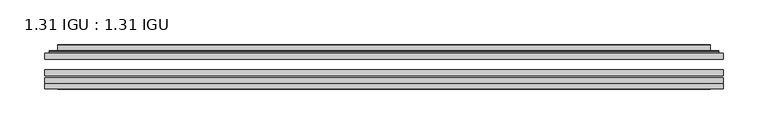
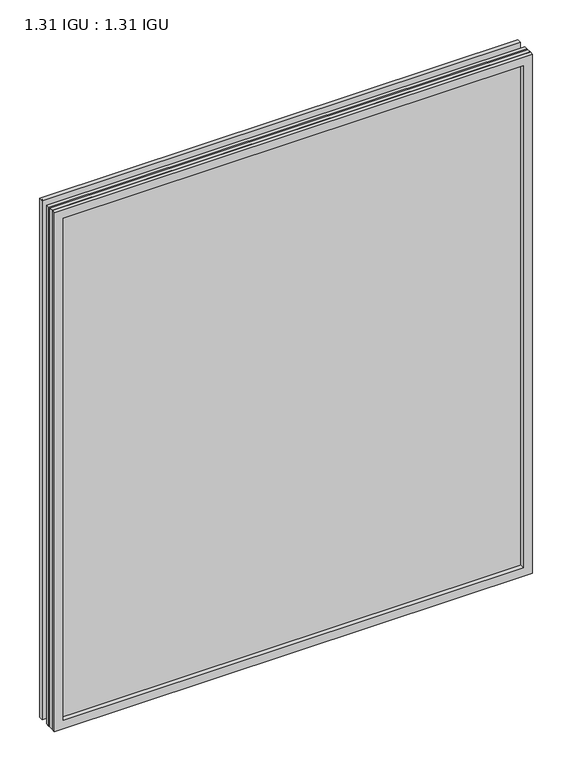
"""IFC4 building model written with IfcOpenShell, lengths in millimetres: plate geometry, 1.31 IGU : 1.31 IGU."""

from ifc_helpers import new_model, si_unit, frame, origin, place, context, project, spatial, polyline, ellipse_curve, outline, extrude, faceted_brep, source, transform, mapped, element, save
from ifc_brep_helpers import plane_surface, cylinder_surface, advanced_brep


def plate_1_31_igu_1_31_igu_43ffdb58(model_context):
    return source(origin(), model_context, "Body", "SolidModel", [
        extrude(outline(polyline([(379.4108, -63.59525), (379.4108, -69.94525), (-379.396625, -69.94525), (-379.396625, -63.59525), (379.4108, -63.59525)])), frame((0.0, 0.0, -14.2875), z_axis=(0.0, 0.0, 1.0), x_axis=(1.0, 0.0, 0.0)), (0.0, 0.0, 1.0), 869.9537979),
        extrude(outline(polyline([(-379.396625, -78.58125), (-379.396625, -72.230745), (379.4108, -72.230745), (379.4108, -78.58125), (-379.396625, -78.58125)])), frame((0.0, 0.0, -14.2875), z_axis=(0.0, 0.0, 1.0), x_axis=(1.0, 0.0, 0.0)), (0.0, 0.0, 1.0), 869.9537979),
        extrude(outline(polyline([(379.4108, -45.25645), (379.4108, -51.60645), (-379.396625, -51.60645), (-379.396625, -45.25645), (379.4108, -45.25645)])), frame((0.0, 0.0, -14.2875), z_axis=(0.0, 0.0, 1.0), x_axis=(1.0, 0.0, 0.0)), (0.0, 0.0, 1.0), 869.9537979),
        faceted_brep([(-379.409325, -84.93125, 855.6752), (-379.409325, -78.58125, 855.6752), (-379.409325, -78.58125, -14.3002), (-379.409325, -84.93125, -14.3002), (379.409325, -78.58125, -14.3002), (379.409325, -84.93125, -14.3002), (379.409325, -78.58125, 855.6752), (379.409325, -84.93125, 855.6752), (-364.2113809, -78.58125, 0.8977441), (364.2113809, -78.58125, 0.8977441), (364.2113809, -78.58125, 840.4772559), (-364.2113809, -78.58125, 840.4772559), (-365.1038152, -84.93125, 841.3696902), (365.1038152, -84.93125, 841.3696902), (365.1038152, -84.93125, 0.0053098), (-365.1038152, -84.93125, 0.0053098)], [[[0, 1, 2, 3]], [[3, 2, 4, 5]], [[5, 4, 6, 7]], [[1, 6, 4, 2], [8, 9, 10, 11]], [[7, 6, 1, 0]], [[3, 5, 7, 0], [12, 13, 14, 15]], [[11, 12, 15, 8]], [[8, 15, 14, 9]], [[9, 14, 13, 10]], [[10, 13, 12, 11]]]),
        advanced_brep(
        [(-372.155344, -45.25645, 848.4212191), (-374.5095494, -43.2667833, 850.7754244), (-374.5095494, -43.2667833, -9.4004244), (-372.155344, -45.25645, -7.046219), (-363.0810189, -41.416413, 839.3468939), (-358.1461871, -45.25645, 834.4120621), (-358.1461871, -45.25645, 6.9629379), (-363.0810189, -41.416413, 2.0281061), (-364.1130467, -36.0191819, 840.3789217), (-364.1130467, -36.0191819, 0.9960783), (-365.1037034, -35.6202069, 841.3695784), (-365.1037034, -35.6202069, 0.0054216), (-365.1037034, -42.08145, 841.3695784), (-365.1037034, -42.08145, 0.0054216), (-373.5077599, -42.08145, 849.7736349), (-373.5077599, -42.08145, -8.3986349), (374.5095494, -43.2667833, -9.4004244), (372.155344, -45.25645, -7.046219), (358.1461871, -45.25645, 6.9629379), (363.0810189, -41.416413, 2.0281061), (364.1130467, -36.0191819, 0.9960783), (365.1037034, -35.6202069, 0.0054216), (365.1037034, -42.08145, 0.0054216), (373.5077599, -42.08145, -8.3986349), (374.5095494, -43.2667833, 850.7754244), (372.155344, -45.25645, 848.4212191), (358.1461871, -45.25645, 834.4120621), (363.0810189, -41.416413, 839.3468939), (364.1130467, -36.0191819, 840.3789217), (365.1037034, -35.6202069, 841.3695784), (365.1037034, -42.08145, 841.3695784), (373.5077599, -42.08145, 849.7736349)],
        [
            (0, 1, ellipse_curve(frame((-372.155344, -42.86885, 848.4212191), z_axis=(-0.7071067811865475, 0.0, -0.7071067811865475), x_axis=(-0.7071067811865474, 0.0, 0.7071067811865476)), 3.3765763, 2.3876)),
            (1, 2),
            (2, 3, ellipse_curve(frame((-372.155344, -42.86885, -7.046219), z_axis=(-0.7071067811865475, 0.0, 0.7071067811865475), x_axis=(0.7071067811865474, 0.0, 0.7071067811865476)), 3.3765763, 2.3876)),
            (3, 0),
            (4, 5),
            (5, 6),
            (6, 7),
            (7, 4),
            (8, 4),
            (7, 9),
            (9, 8),
            (10, 8, ellipse_curve(frame((-364.7367469, -36.1384423, 841.0026219), z_axis=(-0.7071067811865475, 0.0, -0.7071067811865475), x_axis=(-0.7071067811865474, 0.0, 0.7071067811865476)), 0.8980256, 0.635)),
            (9, 11, ellipse_curve(frame((-364.7367469, -36.1384423, 0.3723781), z_axis=(-0.7071067811865475, 0.0, 0.7071067811865475), x_axis=(0.7071067811865474, 0.0, 0.7071067811865476)), 0.8980256, 0.635)),
            (11, 10),
            (12, 10),
            (11, 13),
            (13, 12),
            (1, 14, ellipse_curve(frame((-373.5077599, -43.09745, 849.7736349), z_axis=(-0.7071067811865475, 0.0, -0.7071067811865475), x_axis=(-0.7071067811865474, 0.0, 0.7071067811865476)), 1.436841, 1.016)),
            (14, 15),
            (15, 2, ellipse_curve(frame((-373.5077599, -43.09745, -8.3986349), z_axis=(-0.7071067811865475, 0.0, 0.7071067811865475), x_axis=(0.7071067811865474, 0.0, 0.7071067811865476)), 1.436841, 1.016)),
            (2, 16),
            (16, 17, ellipse_curve(frame((372.155344, -42.86885, -7.046219), z_axis=(-0.7071067811865475, 0.0, -0.7071067811865475), x_axis=(-0.7071067811865476, 0.0, 0.7071067811865474)), 3.3765763, 2.3876)),
            (17, 3),
            (6, 18),
            (18, 19),
            (19, 7),
            (19, 20),
            (20, 9),
            (20, 21, ellipse_curve(frame((364.7367469, -36.1384423, 0.3723781), z_axis=(-0.7071067811865475, 0.0, -0.7071067811865475), x_axis=(-0.7071067811865476, 0.0, 0.7071067811865474)), 0.8980256, 0.635)),
            (21, 11),
            (21, 22),
            (22, 13),
            (15, 23),
            (23, 16, ellipse_curve(frame((373.5077599, -43.09745, -8.3986349), z_axis=(-0.7071067811865475, 0.0, -0.7071067811865475), x_axis=(-0.7071067811865476, 0.0, 0.7071067811865474)), 1.436841, 1.016)),
            (16, 24),
            (24, 25, ellipse_curve(frame((372.155344, -42.86885, 848.4212191), z_axis=(0.7071067811865475, 0.0, -0.7071067811865475), x_axis=(-0.7071067811865474, 0.0, -0.7071067811865476)), 3.3765763, 2.3876)),
            (25, 17),
            (18, 26),
            (26, 27),
            (27, 19),
            (27, 28),
            (28, 20),
            (28, 29, ellipse_curve(frame((364.7367469, -36.1384423, 841.0026219), z_axis=(0.7071067811865475, 0.0, -0.7071067811865475), x_axis=(-0.7071067811865474, 0.0, -0.7071067811865476)), 0.8980256, 0.635)),
            (29, 21),
            (29, 30),
            (30, 22),
            (23, 31),
            (31, 24, ellipse_curve(frame((373.5077599, -43.09745, 849.7736349), z_axis=(0.7071067811865475, 0.0, -0.7071067811865475), x_axis=(-0.7071067811865474, 0.0, -0.7071067811865476)), 1.436841, 1.016)),
            (24, 1),
            (0, 25),
            (5, 26),
            (4, 27),
            (8, 28),
            (10, 29),
            (12, 30),
            (14, 31),
        ],
        [
            cylinder_surface(frame((-372.155344, -42.86885, 873.125), z_axis=(0.0, 0.0, 1.0), x_axis=(-1.0, 0.0, 0.0)), 2.3876),
            plane_surface(frame((-358.1461871, -45.25645, 834.4120621), z_axis=(0.6141233906514794, 0.7892100234124821, 0.0), x_axis=(0.0, 0.0, -1.0))),
            plane_surface(frame((-363.0810189, -41.416413, 839.3468939), z_axis=(0.9822050625507729, 0.18781164793386074, 0.0), x_axis=(0.0, 0.0, -1.0))),
            cylinder_surface(frame((-364.7367469, -36.1384423, 873.125), z_axis=(0.0, 0.0, 1.0), x_axis=(-1.0, 0.0, 0.0)), 0.635),
            plane_surface(frame((-365.1037034, -35.6202069, 841.3695784), z_axis=(-1.0, 0.0, 0.0), x_axis=(0.0, 0.0, -1.0))),
            cylinder_surface(frame((-373.5077599, -43.09745, 873.125), z_axis=(0.0, 0.0, 1.0), x_axis=(-1.0, 0.0, 0.0)), 1.016),
            cylinder_surface(frame((-396.859125, -42.86885, -7.046219), z_axis=(-1.0, 0.0, 0.0), x_axis=(0.0, 0.0, -1.0)), 2.3876),
            plane_surface(frame((-358.1461871, -45.25645, 6.9629379), z_axis=(0.0, 0.7892100234124841, 0.6141233906514768), x_axis=(1.0, 0.0, 0.0))),
            plane_surface(frame((-363.0810189, -41.416413, 2.0281061), z_axis=(0.0, 0.18781164793386393, 0.9822050625507723), x_axis=(1.0, 0.0, 0.0))),
            cylinder_surface(frame((-396.859125, -36.1384423, 0.3723781), z_axis=(-1.0, 0.0, 0.0), x_axis=(0.0, 0.0, -1.0)), 0.635),
            plane_surface(frame((-365.1037034, -35.6202069, 0.0054216), z_axis=(0.0, 0.0, -1.0), x_axis=(1.0, 0.0, 0.0))),
            cylinder_surface(frame((-396.859125, -43.09745, -8.3986349), z_axis=(-1.0, 0.0, 0.0), x_axis=(0.0, 0.0, -1.0)), 1.016),
            cylinder_surface(frame((372.155344, -42.86885, -31.75), z_axis=(0.0, 0.0, -1.0), x_axis=(1.0, 0.0, 0.0)), 2.3876),
            plane_surface(frame((358.1461871, -45.25645, 6.9629379), z_axis=(-0.6141233906514743, 0.7892100234124861, 0.0), x_axis=(0.0, 0.0, 1.0))),
            plane_surface(frame((363.0810189, -41.416413, 2.0281061), z_axis=(-0.9822050625507718, 0.18781164793386712, 0.0), x_axis=(0.0, 0.0, 1.0))),
            cylinder_surface(frame((364.7367469, -36.1384423, -31.75), z_axis=(0.0, 0.0, -1.0), x_axis=(1.0, 0.0, 0.0)), 0.635),
            plane_surface(frame((365.1037034, -35.6202069, 0.0054216), z_axis=(1.0, 0.0, 0.0), x_axis=(0.0, 0.0, 1.0))),
            cylinder_surface(frame((373.5077599, -43.09745, -31.75), z_axis=(0.0, 0.0, -1.0), x_axis=(1.0, 0.0, 0.0)), 1.016),
            cylinder_surface(frame((396.859125, -42.86885, 848.4212191), z_axis=(1.0, 0.0, 0.0), x_axis=(0.0, 0.0, 1.0)), 2.3876),
            plane_surface(frame((372.155344, -45.25645, 848.4212191), z_axis=(0.0, -1.0, 0.0), x_axis=(-1.0, 0.0, 0.0))),
            plane_surface(frame((358.1461871, -45.25645, 834.4120621), z_axis=(0.0, 0.7892100234124841, -0.6141233906514768), x_axis=(-1.0, 0.0, 0.0))),
            plane_surface(frame((363.0810189, -41.416413, 839.3468939), z_axis=(0.0, 0.18781164793386393, -0.9822050625507723), x_axis=(-1.0, 0.0, 0.0))),
            cylinder_surface(frame((396.859125, -36.1384423, 841.0026219), z_axis=(1.0, 0.0, 0.0), x_axis=(0.0, 0.0, 1.0)), 0.635),
            plane_surface(frame((365.1037034, -35.6202069, 841.3695784), z_axis=(0.0, 0.0, 1.0), x_axis=(-1.0, 0.0, 0.0))),
            plane_surface(frame((365.1037034, -42.08145, 841.3695784), z_axis=(0.0, 1.0, 0.0), x_axis=(-1.0, 0.0, 0.0))),
            cylinder_surface(frame((396.859125, -43.09745, 849.7736349), z_axis=(1.0, 0.0, 0.0), x_axis=(0.0, 0.0, 1.0)), 1.016),
        ],
        [
            (0, [[1, 2, 3, 4]]),
            (1, [[5, 6, 7, 8]]),
            (2, [[9, -8, 10, 11]]),
            (3, [[12, -11, 13, 14]]),
            (4, [[15, -14, 16, 17]]),
            (5, [[18, 19, 20, -2]]),
            (6, [[-3, 21, 22, 23]]),
            (7, [[-7, 24, 25, 26]]),
            (8, [[-10, -26, 27, 28]]),
            (9, [[-13, -28, 29, 30]]),
            (10, [[-16, -30, 31, 32]]),
            (11, [[-20, 33, 34, -21]]),
            (12, [[-22, 35, 36, 37]]),
            (13, [[-25, 38, 39, 40]]),
            (14, [[-27, -40, 41, 42]]),
            (15, [[-29, -42, 43, 44]]),
            (16, [[-31, -44, 45, 46]]),
            (17, [[-34, 47, 48, -35]]),
            (18, [[-36, 49, -1, 50]]),
            (19, [[-23, -37, -50, -4], [51, -38, -24, -6]]),
            (20, [[-39, -51, -5, 52]]),
            (21, [[-41, -52, -9, 53]]),
            (22, [[-43, -53, -12, 54]]),
            (23, [[-45, -54, -15, 55]]),
            (24, [[56, -47, -33, -19], [-32, -46, -55, -17]]),
            (25, [[-48, -56, -18, -49]]),
        ],
    ),
    ])


if __name__ == "__main__":
    model = new_model("IFC4")
    model_context = context("Model", 3, world=origin())
    ifc_project = project(units=[si_unit("LENGTHUNIT", "METRE", prefix="MILLI")], contexts=[model_context])
    site = spatial("IfcSite", under=ifc_project)
    building = spatial("IfcBuilding", under=site)
    placement = place(None, origin())
    plate_1_31_igu_1_31_igu_shape = plate_1_31_igu_1_31_igu_43ffdb58(model_context)
    element("IfcPlate", 1, ObjectType="1.31 IGU : 1.31 IGU", at=placement, inside=building, context=model_context, shape_type="MappedRepresentation", body=[
        mapped(plate_1_31_igu_1_31_igu_shape, transform((0.0, 0.0, 0.0), x_axis=(1.0, 0.0, 0.0), y_axis=(0.0, 1.0, 0.0), z_axis=(0.0, 0.0, 1.0))),
    ])
    save(model, "model.ifc")
